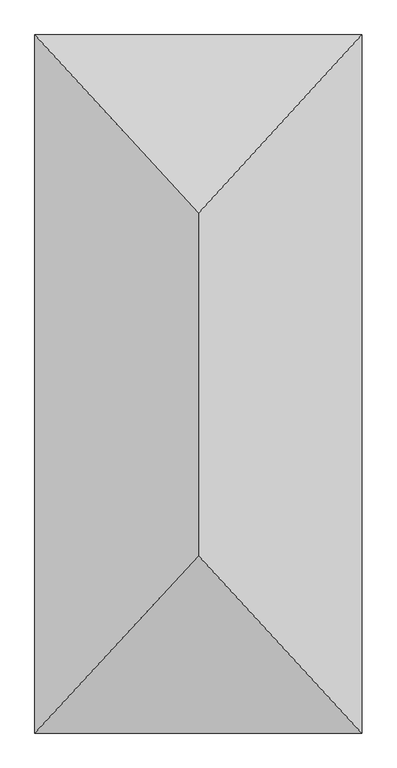
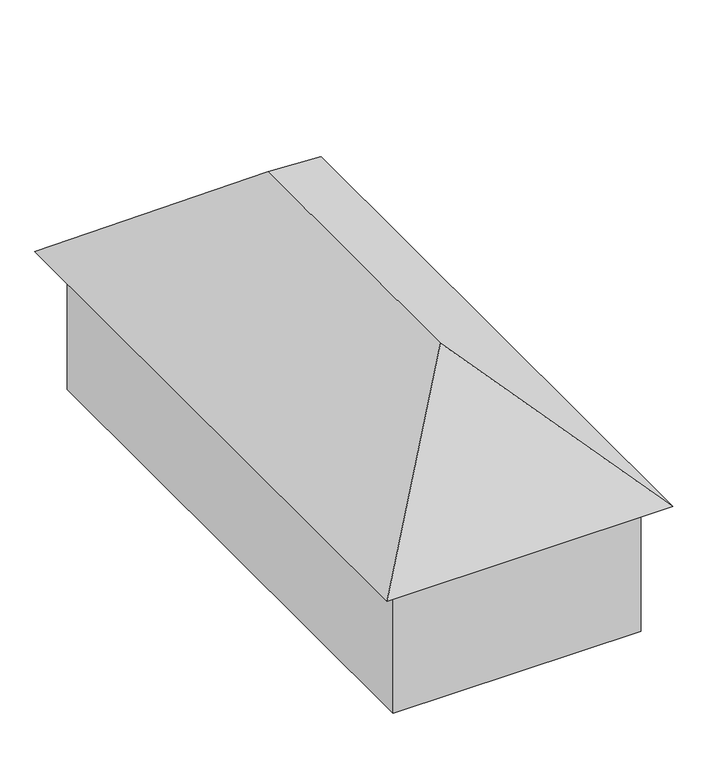
"""IFC4 building model written with IfcOpenShell, lengths in millimetres: geographic element geometry."""

from ifc_helpers import new_model, si_unit, origin, place, context, project, spatial, triangles, source, transform, mapped, element, save


def geographic_element_92e98ec3(model_context):
    return source(origin(), model_context, "Body", "Tessellation", [
        triangles([(7978.0531448, 17565.9429108, 4151.4593903), (574.3480456, 17565.9429108, 0.0), (574.3480456, 17565.9429108, 4151.4593903), (7978.0531448, 17565.9429108, 0.0), (7978.0531448, 677.7307251, 0.0), (574.3480456, 677.7307251, 4151.4593903), (574.3480456, 677.7307251, 0.0), (7978.0531448, 677.7307251, 4151.4593903), (4276.2006134, 13577.215448, 8008.1170074), (8552.4012268, 18243.6736359, 4151.4593903), (0.0, 18243.6736359, 4151.4593903), (8552.4012268, 0.0, 4151.4593903), (4276.2006134, 4636.454496, 8008.1170074), (0.0, 0.0, 4151.4593903)], [[1, 2, 3], [2, 1, 4], [5, 6, 7], [6, 5, 8], [5, 2, 4], [2, 5, 7], [6, 2, 7], [2, 6, 3], [1, 5, 4], [5, 1, 8], [6, 1, 3], [1, 6, 8], [9, 10, 11], [12, 13, 14], [12, 11, 10], [11, 12, 14], [14, 9, 11], [9, 14, 13], [9, 12, 10], [12, 9, 13]]),
    ])


if __name__ == "__main__":
    model = new_model("IFC4")
    model_context = context("Model", 3, world=origin())
    ifc_project = project(units=[si_unit("LENGTHUNIT", "METRE", prefix="MILLI")], contexts=[model_context])
    site = spatial("IfcSite", under=ifc_project)
    building = spatial("IfcBuilding", under=site)
    placement = place(None, origin())
    geographic_element_shape = geographic_element_92e98ec3(model_context)
    element("IfcGeographicElement", 1, at=placement, inside=building, context=model_context, shape_type="MappedRepresentation", body=[
        mapped(geographic_element_shape, transform((0.0, 0.0, 0.0), x_axis=(1.0, 0.0, 0.0), y_axis=(0.0, 1.0, 0.0), z_axis=(0.0, 0.0, 1.0))),
    ])
    save(model, "model.ifc")
